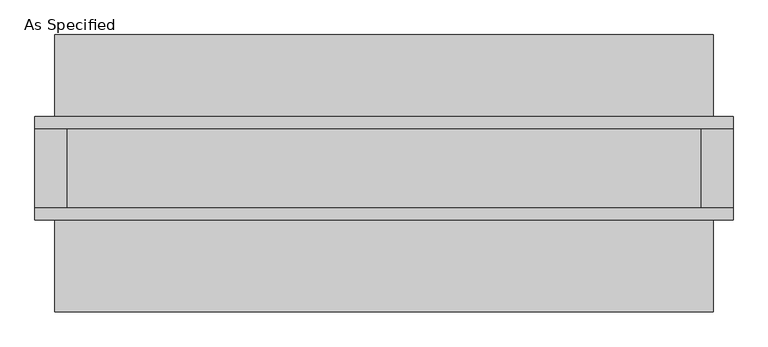
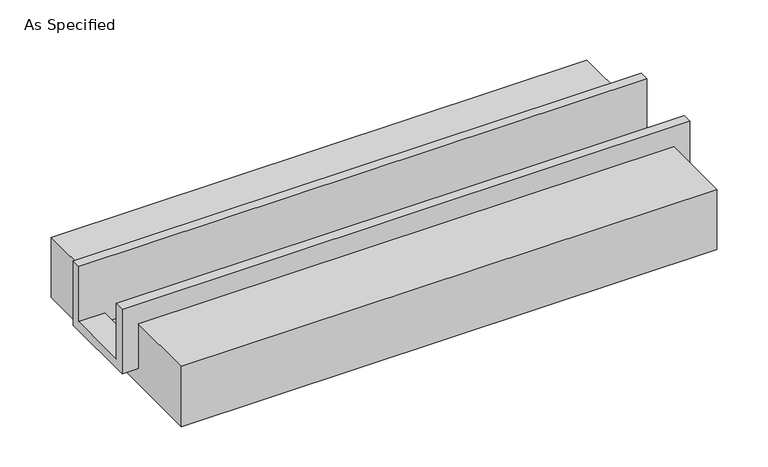
"""IFC4 building model written with IfcOpenShell, lengths in millimetres: proxy geometry, As Specified."""

from ifc_helpers import new_model, si_unit, frame, origin, place, context, project, spatial, polyline, outline, extrude, faceted_brep, source, transform, mapped, element, save


def as_specified_64014d27(model_context):
    return source(origin(), model_context, "Body", "SolidModel", [
        faceted_brep([(-2222.5, 285.75, 139.7), (-2222.5, 361.95, 139.7), (-2222.5, 361.95, -393.7), (-2222.5, -298.45, -393.7), (-2222.5, -298.45, 139.7), (-2222.5, -222.25, 139.7), (-2222.5, -222.25, -317.5), (-2222.5, 285.75, -317.5), (2222.5, 285.75, 139.7), (2222.5, 285.75, -317.5), (2222.5, -222.25, -317.5), (2222.5, -222.25, 139.7), (2222.5, -298.45, 139.7), (2222.5, -298.45, -393.7), (2222.5, 361.95, -393.7), (2222.5, 361.95, 139.7), (2019.3, -222.25, -393.7), (2019.3, 285.75, -393.7), (-2019.3, 285.75, -393.7), (-2019.3, -222.25, -393.7), (2019.3, -222.25, -317.5), (-2019.3, -222.25, -317.5), (-2019.3, 285.75, -317.5), (2019.3, 285.75, -317.5)], [[[0, 1, 2, 3, 4, 5, 6, 7]], [[8, 9, 10, 11, 12, 13, 14, 15]], [[1, 0, 8, 15]], [[2, 1, 15, 14]], [[3, 2, 14, 13], [16, 17, 18, 19]], [[4, 3, 13, 12]], [[5, 4, 12, 11]], [[6, 5, 11, 10, 20, 16, 19, 21]], [[7, 6, 21, 22]], [[10, 9, 23, 20]], [[0, 7, 22, 18, 17, 23, 9, 8]], [[16, 20, 23, 17]], [[21, 19, 18, 22]]]),
        extrude(outline(polyline([(882.65, -25.4), (882.65, -523.9742188), (-882.65, -523.9742188), (-882.65, -25.4), (-298.45, -25.4), (-298.45, -393.7), (361.95, -393.7), (361.95, -25.4), (882.65, -25.4)])), frame((-2095.5, 0.0, 0.0), z_axis=(1.0, 0.0, 0.0), x_axis=(0.0, 1.0, 0.0)), (0.0, 0.0, 1.0), 4191.0),
    ])


if __name__ == "__main__":
    model = new_model("IFC4")
    model_context = context("Model", 3, world=origin())
    ifc_project = project(units=[si_unit("LENGTHUNIT", "METRE", prefix="MILLI")], contexts=[model_context])
    site = spatial("IfcSite", under=ifc_project)
    building = spatial("IfcBuilding", under=site)
    placement = place(None, origin())
    as_specified_shape = as_specified_64014d27(model_context)
    element("IfcBuildingElementProxy", 1, Name="As Specified", ObjectType="As Specified", at=placement, inside=building, context=model_context, shape_type="MappedRepresentation", body=[
        mapped(as_specified_shape, transform((0.0, 0.0, 0.0), x_axis=(1.0, 0.0, 0.0), y_axis=(0.0, 1.0, 0.0), z_axis=(0.0, 0.0, 1.0))),
    ])
    save(model, "model.ifc")
